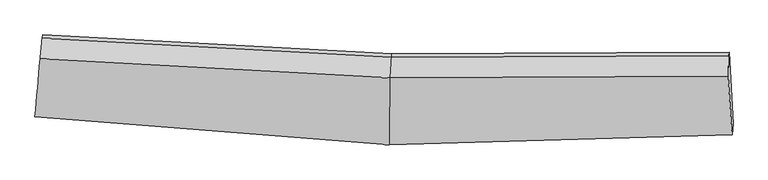
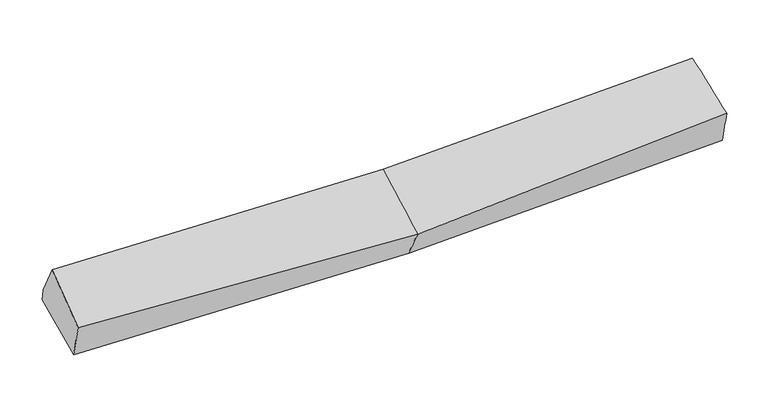
"""IFC4 building model written with IfcOpenShell, lengths in millimetres: proxy geometry."""

from ifc_helpers import new_model, si_unit, frame, origin, place, context, project, spatial, source, transform, mapped, element, save
from ifc_brep_helpers import plane_surface, spline_surface, advanced_brep


def generic_models_eb65923d(model_context):
    return source(origin(), model_context, "Body", "AdvancedBrep", [
        advanced_brep(
        [(-3444.1784269, -1917.1122093, 2022.2877513), (-3432.2328857, -1811.9404646, 1650.2577865), (28.9605801, -2001.2254913, 1701.7205042), (16.9031814, -2189.524258, 2031.1435742), (-3368.5131167, -1116.9217647, 1827.1441845), (40.9172466, -1303.2030017, 1877.8501217), (-3372.4802933, -1151.0962676, 1962.8510924), (36.95007, -1337.3775046, 2013.5570297), (-3393.0699434, -1350.2951104, 2315.0441336), (24.0950027, -1537.0251818, 2365.863151), (3336.5286911, -1322.2211632, 2098.3572193), (3331.157413, -1521.7885441, 2450.902338), (3368.2599835, -2090.7418196, 2160.1867218), (3378.6238867, -1985.531773, 1788.1201657), (3340.4958677, -1288.0466603, 1962.6503113)],
        [
            (0, 1),
            (1, 2),
            (2, 3),
            (3, 0),
            (1, 4),
            (4, 5),
            (5, 1),
            (4, 6),
            (6, 7),
            (7, 5),
            (6, 8),
            (8, 9),
            (9, 7),
            (8, 0),
            (3, 9),
            (10, 11),
            (11, 12),
            (12, 13),
            (13, 14),
            (14, 10),
            (5, 2),
            (9, 11),
            (10, 7),
            (3, 12),
            (2, 13),
            (5, 14),
        ],
        [
            spline_surface(1, 1, [[(-3444.1784269, -1917.1122093, 2022.2877513), (16.9031814, -2189.524258, 2031.1435742)], [(-3432.2328857, -1811.9404646, 1650.2577865), (28.9605801, -2001.2254913, 1701.7205042)]], [2, 2], [2, 2], [0.0, 1.0], [0.0, 1.0]),
            plane_surface(frame((-3400.3730012, -1464.4311147, 1738.7009855), z_axis=(0.027756305681275788, 0.2441576397832505, -0.9693382456245085), x_axis=(0.08849967920732382, 0.965303749869865, 0.24567555284842216))),
            plane_surface(frame((-3370.496705, -1134.0090162, 1894.9976385), z_axis=(0.04925235170515931, 0.968205675069682, 0.24525899904870488), x_axis=(-0.0283369757073742, -0.24410359198070322, 0.9693350567218119))),
            spline_surface(1, 1, [[(-3372.4802933, -1151.0962676, 1962.8510924), (36.95007, -1337.3775046, 2013.5570297)], [(-3393.0699434, -1350.2951104, 2315.0441336), (24.0950027, -1537.0251818, 2365.863151)]], [2, 2], [2, 2], [0.0, 1.0], [0.0, 1.0]),
            spline_surface(1, 1, [[(-3393.0699434, -1350.2951104, 2315.0441336), (24.0950027, -1537.0251818, 2365.863151)], [(-3444.1784269, -1917.1122093, 2022.2877513), (16.9031814, -2189.524258, 2031.1435742)]], [2, 2], [2, 2], [0.0, 1.0], [0.0, 1.0]),
            plane_surface(frame((3351.0131684, -1641.6659921, 2092.0433512), z_axis=(0.9981947315744695, 0.04446273472284409, 0.0403775070792989), x_axis=(-0.013257604713657061, -0.4925802378916682, 0.8701660445891025))),
            plane_surface(frame((-3402.0949332, -1469.4731633, 1955.5169897), z_axis=(-0.9956730500460275, 0.09274754373726092, -0.005750699326669065), x_axis=(0.0798570056004203, 0.885651716912951, 0.4574318473670986))),
            plane_surface(frame((-3432.2328857, -1811.9404646, 1650.2577865), z_axis=(0.027762952911072638, 0.24411677801390777, -0.9693483466420967), x_axis=(0.016606481270466714, 0.9694756799814247, 0.2446244687359953))),
            spline_surface(1, 1, [[(36.95007, -1337.3775046, 2013.5570297), (3336.5286911, -1322.2211632, 2098.3572193)], [(24.0950027, -1537.0251818, 2365.863151), (3331.157413, -1521.7885441, 2450.902338)]], [2, 2], [2, 2], [0.0, 1.0], [0.0, 1.0]),
            spline_surface(1, 1, [[(24.0950027, -1537.0251818, 2365.863151), (3331.157413, -1521.7885441, 2450.902338)], [(16.9031814, -2189.524258, 2031.1435742), (3368.2599835, -2090.7418196, 2160.1867218)]], [2, 2], [2, 2], [0.0, 1.0], [0.0, 1.0]),
            spline_surface(1, 1, [[(16.9031814, -2189.524258, 2031.1435742), (3368.2599835, -2090.7418196, 2160.1867218)], [(28.9605801, -2001.2254913, 1701.7205042), (3378.6238867, -1985.531773, 1788.1201657)]], [2, 2], [2, 2], [0.0, 1.0], [0.0, 1.0]),
            spline_surface(1, 1, [[(28.9605801, -2001.2254913, 1701.7205042), (3378.6238867, -1985.531773, 1788.1201657)], [(40.9172466, -1303.2030017, 1877.8501217), (3340.4958677, -1288.0466603, 1962.6503113)]], [2, 2], [2, 2], [0.0, 1.0], [0.0, 1.0]),
            plane_surface(frame((38.9336583, -1320.2902531, 1945.7035757), z_axis=(-0.010722555177506969, 0.9697429082682252, 0.243892842605006), x_axis=(-0.02833697570724932, -0.24410359198076684, 0.9693350567217994))),
        ],
        [
            (0, [[1, 2, 3, 4]]),
            (1, [[5, 6, 7]]),
            (2, [[8, 9, 10, -6]]),
            (3, [[11, 12, 13, -9]]),
            (4, [[14, -4, 15, -12]]),
            (5, [[16, 17, 18, 19, 20]]),
            (6, [[-14, -11, -8, -5, -1]]),
            (7, [[21, -2, -7]]),
            (8, [[-13, 22, -16, 23]]),
            (9, [[-15, 24, -17, -22]]),
            (10, [[-3, 25, -18, -24]]),
            (11, [[-21, 26, -19, -25]]),
            (12, [[-10, -23, -20, -26]]),
        ],
    ),
    ])


if __name__ == "__main__":
    model = new_model("IFC4")
    model_context = context("Model", 3, world=origin())
    ifc_project = project(units=[si_unit("LENGTHUNIT", "METRE", prefix="MILLI")], contexts=[model_context])
    site = spatial("IfcSite", under=ifc_project)
    building = spatial("IfcBuilding", under=site)
    placement = place(None, origin())
    generic_models_shape = generic_models_eb65923d(model_context)
    element("IfcBuildingElementProxy", 1, Name="Generic Models", at=placement, inside=building, context=model_context, shape_type="MappedRepresentation", body=[
        mapped(generic_models_shape, transform((0.0, 0.0, 0.0), x_axis=(1.0, 0.0, 0.0), y_axis=(0.0, 1.0, 0.0), z_axis=(0.0, 0.0, 1.0))),
    ])
    save(model, "model.ifc")
